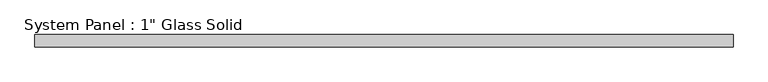
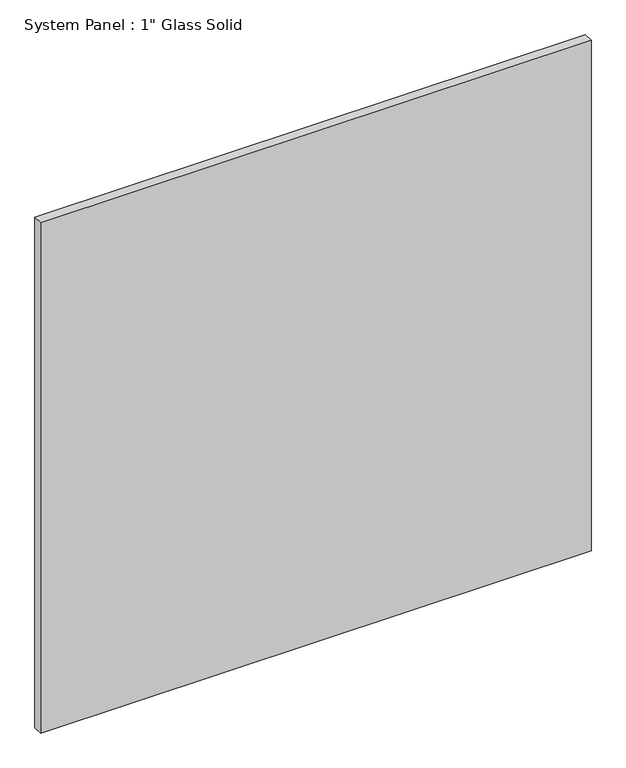
"""IFC4 building model written with IfcOpenShell, lengths in millimetres: plate geometry."""

from ifc_helpers import new_model, si_unit, origin, origin_with_axes, place, context, project, spatial, polyline, outline, extrude, source, transform, mapped, element, save


def plate_225d6a70(model_context):
    return source(origin(), model_context, "Body", "SweptSolid", [
        extrude(outline(polyline([(720.7764199, -12.7), (-720.7764199, -12.7), (-720.7764199, 12.7), (720.7764199, 12.7), (720.7764199, -12.7)])), origin_with_axes(), (0.0, 0.0, 1.0), 1412.7661731),
    ])


if __name__ == "__main__":
    model = new_model("IFC4")
    model_context = context("Model", 3, world=origin())
    ifc_project = project(units=[si_unit("LENGTHUNIT", "METRE", prefix="MILLI")], contexts=[model_context])
    site = spatial("IfcSite", under=ifc_project)
    building = spatial("IfcBuilding", under=site)
    placement = place(None, origin())
    plate_shape = plate_225d6a70(model_context)
    element("IfcPlate", 1, ObjectType="System Panel : 1\" Glass Solid", at=placement, inside=building, context=model_context, shape_type="MappedRepresentation", body=[
        mapped(plate_shape, transform((0.0, 0.0, 0.0), x_axis=(1.0, 0.0, 0.0), y_axis=(0.0, 1.0, 0.0), z_axis=(0.0, 0.0, 1.0))),
    ])
    save(model, "model.ifc")
